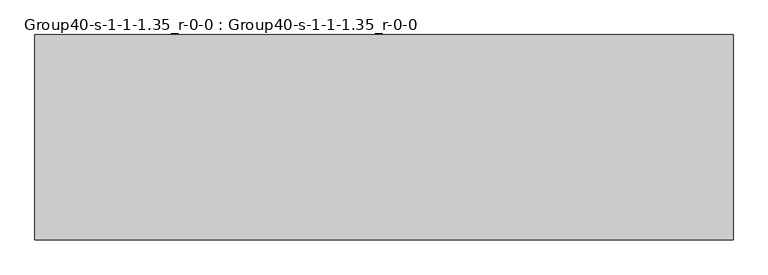
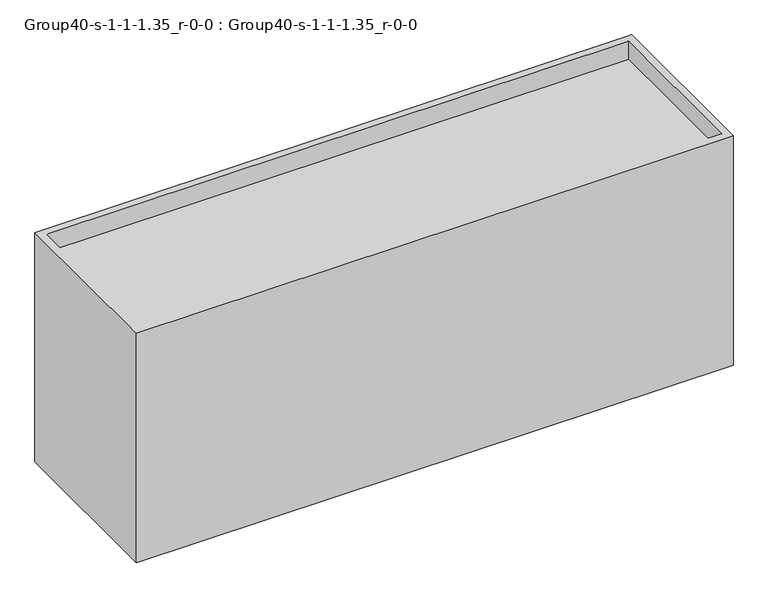
"""IFC4 building model written with IfcOpenShell, lengths in millimetres: geographic element geometry, Group40-s-1-1-1.35_r-0-0 : Group40-s-1-1-1.35_r-0-0."""

from ifc_helpers import new_model, si_unit, origin, place, context, project, spatial, triangles, source, transform, mapped, element, save


def group40_s_1_1_1_35_r_0_0_group40_s_1_1_1_35_r_0_0_b170e758(model_context):
    return source(origin(), model_context, "Body", "Tessellation", [
        triangles([(16976.7253876, 7585.0748062, 0.0), (-8792.4749451, 0.0, 0.0), (-8792.4749451, 7585.0748062, 0.0), (16976.7253876, 0.0, 0.0), (16671.9253876, 304.8, 9649.8952835), (-8487.6749451, 7280.2748062, 9649.8952835), (-8487.6749451, 304.8, 9649.8952835), (16671.9253876, 7280.2748062, 9649.8952835), (-8487.6749451, 304.8, 10472.8549347), (-8487.6749451, 7280.2748062, 10472.8549347), (16671.9253876, 7280.2748062, 10472.8549347), (16671.9253876, 304.8, 10472.8549347), (-8792.4749451, 0.0, 10472.8549347), (-8792.4749451, 7585.0748062, 10472.8549347), (16976.7253876, 7585.0748062, 10472.8549347), (16976.7253876, 0.0, 10472.8549347)], [[1, 2, 3], [2, 1, 4], [5, 6, 7], [6, 5, 8], [6, 9, 7], [9, 6, 10], [11, 6, 8], [6, 11, 10], [9, 5, 7], [5, 9, 12], [13, 3, 2], [3, 13, 14], [11, 5, 12], [5, 11, 8], [14, 1, 3], [1, 14, 15], [1, 16, 4], [16, 1, 15], [13, 9, 14], [9, 13, 16], [9, 16, 12], [12, 16, 11], [14, 10, 15], [10, 14, 9], [15, 10, 11], [15, 11, 16], [4, 13, 2], [13, 4, 16]]),
    ])


if __name__ == "__main__":
    model = new_model("IFC4")
    model_context = context("Model", 3, world=origin())
    ifc_project = project(units=[si_unit("LENGTHUNIT", "METRE", prefix="MILLI")], contexts=[model_context])
    site = spatial("IfcSite", under=ifc_project)
    building = spatial("IfcBuilding", under=site)
    placement = place(None, origin())
    group40_s_1_1_1_35_r_0_0_group40_s_1_1_1_35_r_0_0_shape = group40_s_1_1_1_35_r_0_0_group40_s_1_1_1_35_r_0_0_b170e758(model_context)
    element("IfcGeographicElement", 1, ObjectType="Group40-s-1-1-1.35_r-0-0 : Group40-s-1-1-1.35_r-0-0", at=placement, inside=building, context=model_context, shape_type="MappedRepresentation", body=[
        mapped(group40_s_1_1_1_35_r_0_0_group40_s_1_1_1_35_r_0_0_shape, transform((0.0, 0.0, 0.0), x_axis=(1.0, 0.0, 0.0), y_axis=(0.0, 1.0, 0.0), z_axis=(0.0, 0.0, 1.0))),
    ])
    save(model, "model.ifc")
